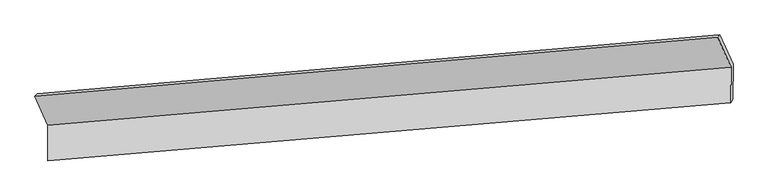
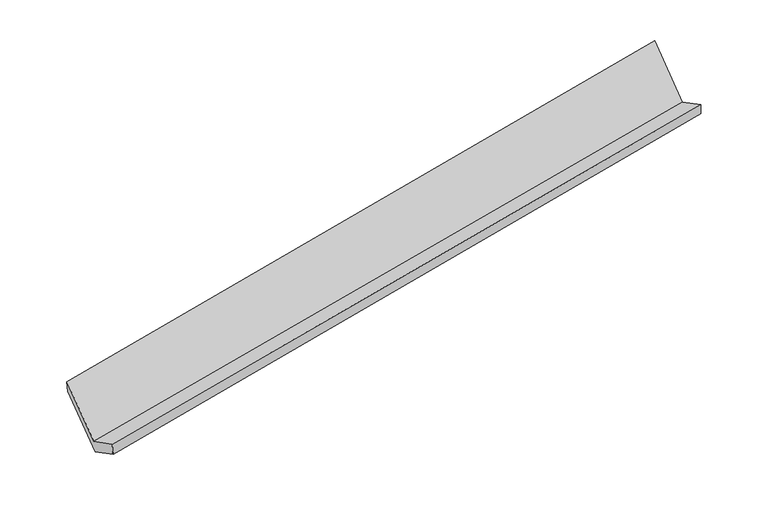
"""IFC4 building model written with IfcOpenShell, lengths in millimetres: proxy geometry."""

from ifc_helpers import new_model, si_unit, frame, origin, place, context, project, spatial, source, transform, mapped, element, save
from ifc_brep_helpers import plane_surface, spline_surface, advanced_brep


def generic_models_cad15819(model_context):
    return source(origin(), model_context, "Body", "AdvancedBrep", [
        advanced_brep(
        [(-6312.2690747, -1793.5774926, 1117.0339531), (-6314.6653369, -2157.6149871, 1303.5802929), (655.4664376, -1565.7480514, 2548.1183481), (657.8626997, -1201.7105569, 2361.5720082), (-6289.5429402, -2129.93429, 1153.6777809), (676.6009799, -1529.1087916, 2415.6468765), (-6287.2043013, -1774.6508514, 971.6173445), (678.9396188, -1173.825353, 2233.5864401), (-6420.9497628, -1474.1967707, 1556.2230873), (545.1941573, -873.3712722, 2818.1921829), (-6443.9037798, -1497.8651459, 1692.4135108), (522.2401403, -897.0396475, 2954.3826064)],
        [
            (0, 1),
            (1, 2),
            (2, 3),
            (3, 0),
            (1, 4),
            (4, 5),
            (5, 2),
            (4, 6),
            (6, 7),
            (7, 5),
            (6, 8),
            (8, 9),
            (9, 7),
            (8, 10),
            (10, 11),
            (11, 9),
            (10, 0),
            (3, 11),
        ],
        [
            plane_surface(frame((-6313.4672058, -1975.5962399, 1210.307123), z_axis=(-0.19387291557488073, 0.44840421724375823, 0.8725519758527326), x_axis=(-0.005857998587854839, -0.8899406786836607, 0.45603867410189036))),
            spline_surface(1, 1, [[(-6314.6653369, -2157.6149871, 1303.5802929), (655.4664376, -1565.7480514, 2548.1183481)], [(-6289.5429402, -2129.93429, 1153.6777809), (676.6009799, -1529.1087916, 2415.6468765)]], [2, 2], [2, 2], [0.0, 1.0], [0.0, 1.0]),
            plane_surface(frame((-6288.3736207, -1952.2925707, 1062.6475627), z_axis=(0.19663357351479965, -0.4481679549838151, -0.8720554580371739), x_axis=(0.005857998587855104, 0.8899406786836604, -0.456038674101891))),
            plane_surface(frame((-6354.0770321, -1624.4238111, 1263.9202159), z_axis=(0.005857998587855046, 0.8899406786836592, -0.45603867410189336), x_axis=(-0.19939271712531956, 0.44792813779969387, 0.8715520223857443))),
            plane_surface(frame((-6432.4267713, -1486.0309583, 1624.318299), z_axis=(-0.11219133612408366, 0.9820300394222266, 0.15175673221005145), x_axis=(-0.1638114433599515, -0.16890946433877263, 0.9719235586614404))),
            plane_surface(frame((-6378.0864273, -1645.7213193, 1404.7237319), z_axis=(-0.005857998587852034, -0.8899406786836659, 0.4560386741018804), x_axis=(0.1993927171253195, -0.44792813779968066, -0.871552022385751))),
            plane_surface(frame((622.7173389, -1206.8006121, 2555.2497437), z_axis=(0.9799021523651874, 0.08582523982700653, 0.18007165240178707), x_axis=(-0.1638114433599515, -0.16890946433877263, 0.9719235586614404))),
            plane_surface(frame((-6344.7558659, -1804.639923, 1299.0909949), z_axis=(-0.9799021523651865, -0.08582523982700982, -0.18007165240179063), x_axis=(-0.19939271712532416, 0.4479281377996811, 0.8715520223857498))),
        ],
        [
            (0, [[1, 2, 3, 4]]),
            (1, [[5, 6, 7, -2]]),
            (2, [[8, 9, 10, -6]]),
            (3, [[11, 12, 13, -9]]),
            (4, [[14, 15, 16, -12]]),
            (5, [[17, -4, 18, -15]]),
            (6, [[-16, -18, -3, -7, -10, -13]]),
            (7, [[-17, -14, -11, -8, -5, -1]]),
        ],
    ),
    ])


if __name__ == "__main__":
    model = new_model("IFC4")
    model_context = context("Model", 3, world=origin())
    ifc_project = project(units=[si_unit("LENGTHUNIT", "METRE", prefix="MILLI")], contexts=[model_context])
    site = spatial("IfcSite", under=ifc_project)
    building = spatial("IfcBuilding", under=site)
    placement = place(None, origin())
    generic_models_shape = generic_models_cad15819(model_context)
    element("IfcBuildingElementProxy", 1, Name="Generic Models", at=placement, inside=building, context=model_context, shape_type="MappedRepresentation", body=[
        mapped(generic_models_shape, transform((0.0, 0.0, 0.0), x_axis=(1.0, 0.0, 0.0), y_axis=(0.0, 1.0, 0.0), z_axis=(0.0, 0.0, 1.0))),
    ])
    save(model, "model.ifc")
